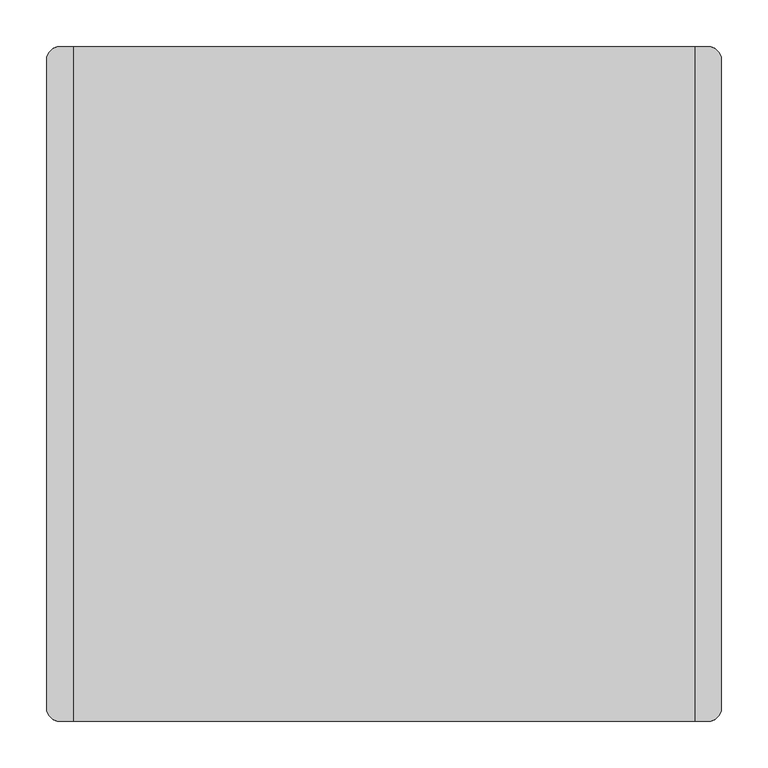
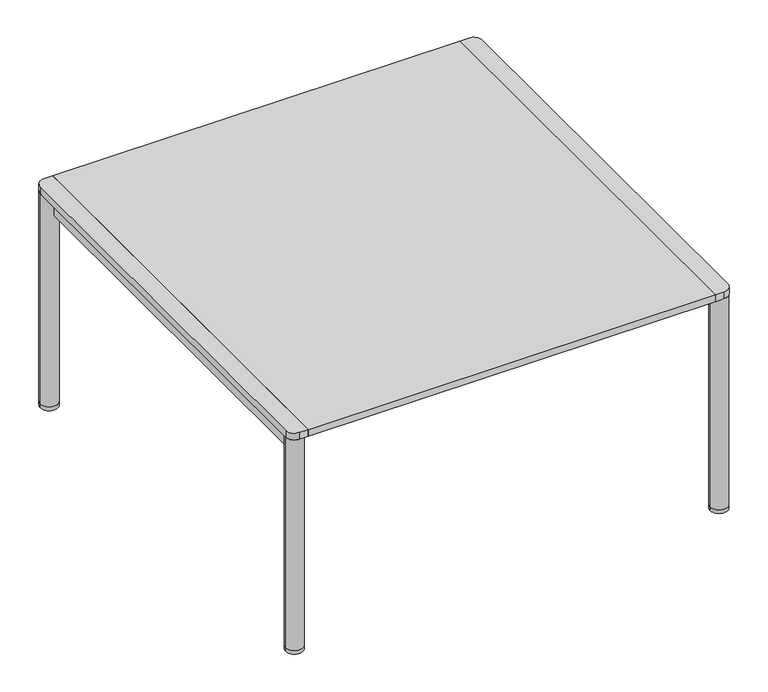
"""IFC4 building model written with IfcOpenShell, lengths in millimetres: furniture geometry."""

import ifcopenshell
import ifcopenshell.guid

model = None  # the IFC model being written
_history = None  # IfcOwnerHistory: only IFC2X3 demands one
_inside = {}  # id of a spatial element -> (the spatial element, [elements in it])
_under = {}  # id of a project, library or spatial element -> (it, [spatial elements below it])
_declared = {}  # id of a project -> (the project, [libraries it declares])
_typed = {}  # id of a type object -> (the type object, [elements of that type])
_made_of = {}  # id of a material, layer set ... -> (it, [elements and type objects made of it])


def new_model(schema):
    """Start an empty IFC model of exactly this schema.

    Asked for "IFC4X3", IfcOpenShell would pick the latest addendum, in which some entities
    have other attributes; the version numbers below select the first issue.
    IFC2X3 requires an IfcOwnerHistory on every rooted entity: one is made here for all.
    """
    global model, _history
    if schema == "IFC4X3":
        model = ifcopenshell.file(schema_version=(4, 3, 0, 0))
    else:
        model = ifcopenshell.file(schema=schema)
    _inside.clear()
    _under.clear()
    _declared.clear()
    _typed.clear()
    _made_of.clear()
    _history = None
    if model.schema == "IFC2X3":
        org = make("IfcOrganization", Name="unknown")
        user = make(
            "IfcPersonAndOrganization",
            ThePerson=make("IfcPerson", FamilyName="unknown"),
            TheOrganization=org,
        )
        app = make(
            "IfcApplication",
            ApplicationDeveloper=org,
            Version="unknown",
            ApplicationFullName="unknown",
            ApplicationIdentifier="unknown",
        )
        _history = make(
            "IfcOwnerHistory",
            OwningUser=user,
            OwningApplication=app,
            ChangeAction="ADDED",
            CreationDate=0,
        )
    return model


def make(cls, **values):
    """One entity of the class cls with the attributes given. An attribute that is None is left unset."""
    return model.create_entity(
        cls, **{name: value for name, value in values.items() if value is not None}
    )


def rooted(cls, **values):
    """An entity with a GlobalId (a new one), such as an element, a storey or a relation."""
    return make(cls, GlobalId=ifcopenshell.guid.new(), OwnerHistory=_history, **values)


def si_unit(unit_type, name, prefix=None):
    """IfcSIUnit, for example si_unit("LENGTHUNIT", "METRE", prefix="MILLI")."""
    return make("IfcSIUnit", UnitType=unit_type, Prefix=prefix, Name=name)


def assignment(units):
    """IfcUnitAssignment: the units of a project."""
    return None if units is None else make("IfcUnitAssignment", Units=units)


def point(xyz):
    """IfcCartesianPoint."""
    return None if xyz is None else make("IfcCartesianPoint", Coordinates=xyz)


def direction(xyz):
    """IfcDirection."""
    return None if xyz is None else make("IfcDirection", DirectionRatios=xyz)


def frame(location, z_axis=None, x_axis=None):
    """IfcAxis2Placement3D, a coordinate frame: its origin and axes. An axis left out is left unset."""
    return make(
        "IfcAxis2Placement3D",
        Location=point(location),
        Axis=direction(z_axis),
        RefDirection=direction(x_axis),
    )


def frame_2d(location, x_axis=None):
    """IfcAxis2Placement2D, a coordinate frame in the plane: its origin and x axis."""
    return make(
        "IfcAxis2Placement2D", Location=point(location), RefDirection=direction(x_axis)
    )


def origin():
    """The frame at (0, 0, 0) with its axes left unset."""
    return frame((0.0, 0.0, 0.0))


def origin_with_axes():
    """The frame at (0, 0, 0) with the z axis (0, 0, 1) and the x axis (1, 0, 0) written out."""
    return frame((0.0, 0.0, 0.0), z_axis=(0.0, 0.0, 1.0), x_axis=(1.0, 0.0, 0.0))


def place(relative_to, where):
    """IfcLocalPlacement: puts the frame where relative to a parent placement (None: the world)."""
    return make(
        "IfcLocalPlacement", PlacementRelTo=relative_to, RelativePlacement=where
    )


def context(
    kind, dimensions, precision=None, world=None, true_north=None, identifier=None
):
    """IfcGeometricRepresentationContext, for example the 3D "Model" context."""
    return make(
        "IfcGeometricRepresentationContext",
        ContextIdentifier=identifier,
        ContextType=kind,
        CoordinateSpaceDimension=dimensions,
        Precision=precision,
        WorldCoordinateSystem=world,
        TrueNorth=true_north,
    )


def project(units=None, contexts=None):
    """IfcProject with its units and contexts."""
    return rooted(
        "IfcProject",
        Name="project",
        RepresentationContexts=contexts,
        UnitsInContext=assignment(units),
    )


def spatial(cls, under=None, at=None, **own):
    """A site, building, storey or space (cls), placed at a placement, below another one or the project."""
    s = rooted(cls, ObjectPlacement=at, **own)
    if under is not None:
        _under.setdefault(under.id(), (under, []))[1].append(s)
    return s


def polyline(points):
    """IfcPolyline through the points."""
    return make("IfcPolyline", Points=[point(p) for p in points])


def circle_curve(where, radius):
    """IfcCircle in the frame where."""
    return make("IfcCircle", Position=where, Radius=radius)


def trimmed(basis, trim1, trim2, sense, master):
    """IfcTrimmedCurve: the piece of a basis curve between two trims."""
    return make(
        "IfcTrimmedCurve",
        BasisCurve=basis,
        Trim1=trim1,
        Trim2=trim2,
        SenseAgreement=sense,
        MasterRepresentation=master,
    )


def segment(curve, same_sense, transition):
    """IfcCompositeCurveSegment."""
    return make(
        "IfcCompositeCurveSegment",
        Transition=transition,
        SameSense=same_sense,
        ParentCurve=curve,
    )


def composite_curve(segments, self_intersect=None):
    """IfcCompositeCurve: segments joined end to end."""
    return make("IfcCompositeCurve", Segments=segments, SelfIntersect=self_intersect)


def outline(outer, holes=None, kind="AREA"):
    """IfcArbitraryClosedProfileDef: a profile drawn as a closed curve; with holes, ...WithVoids."""
    if holes is None:
        return make("IfcArbitraryClosedProfileDef", ProfileType=kind, OuterCurve=outer)
    return make(
        "IfcArbitraryProfileDefWithVoids",
        ProfileType=kind,
        OuterCurve=outer,
        InnerCurves=holes,
    )


def extrude(swept, where, along, depth):
    """IfcExtrudedAreaSolid: the profile swept, set in the frame where, extruded along a direction by depth."""
    return make(
        "IfcExtrudedAreaSolid",
        SweptArea=swept,
        Position=where,
        ExtrudedDirection=direction(along),
        Depth=depth,
    )


def shape(context_of_items, identifier, shape_type, items):
    """IfcShapeRepresentation: the items that make up one representation, for example the "Body"."""
    return make(
        "IfcShapeRepresentation",
        ContextOfItems=context_of_items,
        RepresentationIdentifier=identifier,
        RepresentationType=shape_type,
        Items=items,
    )


def source(mapping_origin, context_of_items, identifier, shape_type, items):
    """IfcRepresentationMap: a shape defined once, which mapped items show again and again."""
    return make(
        "IfcRepresentationMap",
        MappingOrigin=mapping_origin,
        MappedRepresentation=shape(context_of_items, identifier, shape_type, items),
    )


def transform(
    local_origin,
    x_axis=None,
    y_axis=None,
    z_axis=None,
    scale=None,
    scale2=None,
    scale3=None,
    uniform=True,
):
    """IfcCartesianTransformationOperator3D, or its non-uniform kind. x_axis, y_axis, z_axis: its Axis1, 2, 3."""
    if uniform:
        return make(
            "IfcCartesianTransformationOperator3D",
            Axis1=direction(x_axis),
            Axis2=direction(y_axis),
            LocalOrigin=point(local_origin),
            Scale=scale,
            Axis3=direction(z_axis),
        )
    return make(
        "IfcCartesianTransformationOperator3DnonUniform",
        Axis1=direction(x_axis),
        Axis2=direction(y_axis),
        LocalOrigin=point(local_origin),
        Scale=scale,
        Axis3=direction(z_axis),
        Scale2=scale2,
        Scale3=scale3,
    )


def mapped(mapping_source, mapping_target):
    """IfcMappedItem: shows the shape of a source again, moved by a transform."""
    return make(
        "IfcMappedItem", MappingSource=mapping_source, MappingTarget=mapping_target
    )


def made_of(thing, what):
    """Note that an element or type object is made of a material, layer set ...; save() writes the relation."""
    if what is not None:
        _made_of.setdefault(what.id(), (what, []))[1].append(thing)
    return thing


def element(
    cls,
    number,
    at=None,
    inside=None,
    cuts=None,
    type_object=None,
    material=None,
    context=None,
    identifier="Body",
    shape_type=None,
    held_by="IfcProductDefinitionShape",
    body=None,
    shapes=None,
    **own,
):
    """One element of the class cls, such as IfcWall. Its Tag is "e" and its number.

    at: its placement. inside: the storey or other place that contains it. cuts: it is an
    opening in that element (IfcRelVoidsElement). A single representation is given by context,
    identifier, shape_type and body (its items); several are given by shapes. held_by: the class
    of the entity that holds the representations. save() writes the other relations.
    """
    e = rooted(cls, Tag="e%d" % number, ObjectPlacement=at, **own)
    if body is not None:
        shapes = [shape(context, identifier, shape_type, body)]
    if shapes is not None:
        e.Representation = make(held_by, Representations=shapes)
    if inside is not None:
        _inside.setdefault(inside.id(), (inside, []))[1].append(e)
    if cuts is not None:
        rooted(
            "IfcRelVoidsElement", RelatingBuildingElement=cuts, RelatedOpeningElement=e
        )
    if type_object is not None:
        _typed.setdefault(type_object.id(), (type_object, []))[1].append(e)
    return made_of(e, material)


def aggregate(whole, parts):
    """IfcRelAggregates: a whole, such as a stair, and the parts it consists of."""
    return rooted("IfcRelAggregates", RelatingObject=whole, RelatedObjects=parts)


def save(model, path):
    """Write the relations noted so far, then the file.

    IfcRelAggregates (storeys below a building ...), IfcRelContainedInSpatialStructure (elements
    in a storey), IfcRelDefinesByType, IfcRelAssociatesMaterial and IfcRelDeclares: one each for
    every whole, place, type object, material and project.
    """
    for whole, parts in _under.values():
        aggregate(whole, parts)
    for where, things in _inside.values():
        rooted(
            "IfcRelContainedInSpatialStructure",
            RelatedElements=things,
            RelatingStructure=where,
        )
    for kind, things in _typed.values():
        rooted("IfcRelDefinesByType", RelatedObjects=things, RelatingType=kind)
    for what, things in _made_of.values():
        rooted("IfcRelAssociatesMaterial", RelatedObjects=things, RelatingMaterial=what)
    for by, libraries in _declared.values():
        rooted("IfcRelDeclares", RelatingContext=by, RelatedDefinitions=libraries)
    model.write(path)


def plane_surface(at):
    """IfcPlane: the flat surface through the origin of the frame at, square to its z axis."""
    return make("IfcPlane", Position=at)


def cylinder_surface(at, radius):
    """IfcCylindricalSurface: all points at the distance radius from the z axis of the frame at."""
    return make("IfcCylindricalSurface", Position=at, Radius=radius)


def advanced_brep(points, edges, surfaces, faces):
    """IfcAdvancedBrep: a solid bounded by faces that lie on surfaces and meet in shared edges.

    An edge is (start, end): straight between two places in points (the first is 0);
    or (start, end, curve); or (start, end, curve, False) where it runs against its curve.
    A face is (place in surfaces, loops), or (place, loops, False) where it looks against
    its surface's normal. A loop lists edges by number (the first is 1), with a minus sign
    where the edge is run from its end to its start. The first loop is the outer one.
    """
    corners = [point(p) for p in points]
    vertices = [make("IfcVertexPoint", VertexGeometry=c) for c in corners]
    made = []
    for start, end, *more in edges:
        made.append(
            make(
                "IfcEdgeCurve",
                EdgeStart=vertices[start],
                EdgeEnd=vertices[end],
                EdgeGeometry=more[0] if more else make("IfcPolyline", Points=[corners[start], corners[end]]),
                SameSense=more[1] if len(more) > 1 else True,
            )
        )
    hull = []
    for where, loops, *sense in faces:
        bounds = []
        for j, loop in enumerate(loops):
            ring = [make("IfcOrientedEdge", EdgeElement=made[abs(k) - 1], Orientation=k > 0) for k in loop]
            bounds.append(
                make(
                    "IfcFaceOuterBound" if j == 0 else "IfcFaceBound",
                    Bound=make("IfcEdgeLoop", EdgeList=ring),
                    Orientation=True,
                )
            )
        hull.append(make("IfcAdvancedFace", Bounds=bounds, FaceSurface=surfaces[where], SameSense=sense[0] if sense else True))
    return make("IfcAdvancedBrep", Outer=make("IfcClosedShell", CfsFaces=hull))


def furniture_15236179(model_context):
    return source(origin(), model_context, "Body", "SolidModel", [
        extrude(outline(polyline([(333.375, 14.8450003), (333.375, -14.8450003), (-333.375, -14.8450003), (-333.375, 14.8450003), (333.375, 14.8450003)])), frame((0.0, 0.0, 348.3110069), z_axis=(0.0, 0.0, 1.0), x_axis=(1.0, 0.0, 0.0)), (0.0, 0.0, 1.0), 19.6499997),
        advanced_brep(
        [(-333.375, 347.6625, 370.648815), (-361.95, 347.6625, 370.648815), (-347.6625, 333.375, 370.648815), (-347.6625, -333.375, 370.648815), (-361.95, -347.6625, 370.648815), (-333.375, -347.6625, 370.648815), (-361.95, 347.6625, 6.35), (-333.375, 347.6625, 6.35), (-361.95, -347.6625, 6.35), (-333.375, -347.6625, 6.35), (-333.375, 347.6625, 336.2579542), (-347.6625, 333.375, 336.2579542), (-333.375, -347.6625, 336.2579542), (-347.6625, -333.375, 336.2579542)],
        [
            (0, 1, circle_curve(frame((-347.6625, 347.6625, 370.648815), z_axis=(0.0, 0.0, 1.0), x_axis=(1.0, 0.0, 0.0)), 14.2875)),
            (1, 2, circle_curve(frame((-347.6625, 347.6625, 370.648815), z_axis=(0.0, 0.0, 1.0), x_axis=(1.0, 0.0, 0.0)), 14.2875)),
            (2, 3),
            (3, 4, circle_curve(frame((-347.6625, -347.6625, 370.648815), z_axis=(0.0, 0.0, 1.0), x_axis=(1.0, 0.0, 0.0)), 14.2875)),
            (4, 5, circle_curve(frame((-347.6625, -347.6625, 370.648815), z_axis=(0.0, 0.0, 1.0), x_axis=(1.0, 0.0, 0.0)), 14.2875)),
            (5, 0),
            (6, 7, circle_curve(frame((-347.6625, 347.6625, 6.35), z_axis=(0.0, 0.0, -1.0), x_axis=(1.0, 0.0, 0.0)), 14.2875)),
            (7, 6, circle_curve(frame((-347.6625, 347.6625, 6.35), z_axis=(0.0, 0.0, -1.0), x_axis=(1.0, 0.0, 0.0)), 14.2875)),
            (8, 9, circle_curve(frame((-347.6625, -347.6625, 6.35), z_axis=(0.0, 0.0, -1.0), x_axis=(1.0, 0.0, 0.0)), 14.2875)),
            (9, 8, circle_curve(frame((-347.6625, -347.6625, 6.35), z_axis=(0.0, 0.0, -1.0), x_axis=(1.0, 0.0, 0.0)), 14.2875)),
            (7, 10),
            (10, 11, circle_curve(frame((-347.6625, 347.6625, 336.2579542), z_axis=(0.0, 0.0, -1.0), x_axis=(1.0, 0.0, 0.0)), 14.2875)),
            (11, 2),
            (1, 6),
            (0, 10),
            (4, 8),
            (9, 12),
            (12, 5),
            (3, 13),
            (13, 12, circle_curve(frame((-347.6625, -347.6625, 336.2579542), z_axis=(0.0, 0.0, -1.0), x_axis=(1.0, 0.0, 0.0)), 14.2875)),
            (11, 13),
            (10, 12),
        ],
        [
            plane_surface(frame((-333.375, 347.6625, 370.648815), z_axis=(0.0, 0.0, 1.0), x_axis=(0.0, 1.0, 0.0))),
            plane_surface(frame((-333.375, 347.6625, 6.35), z_axis=(0.0, 0.0, -1.0), x_axis=(0.0, -1.0, 0.0))),
            cylinder_surface(frame((-347.6625, 347.6625, 6.35), z_axis=(0.0, 0.0, 1.0), x_axis=(1.0, 0.0, 0.0)), 14.2875),
            cylinder_surface(frame((-347.6625, -347.6625, 0.0), z_axis=(0.0, 0.0, 1.0), x_axis=(1.0, 0.0, 0.0)), 14.2875),
            plane_surface(frame((-347.6625, -347.6625, 370.648815), z_axis=(-1.0, 0.0, 0.0), x_axis=(0.0, 1.0, 0.0))),
            plane_surface(frame((-347.6625, -347.6625, 336.2579542), z_axis=(0.0, 0.0, -1.0), x_axis=(0.0, 1.0, 0.0))),
            plane_surface(frame((-333.375, -347.6625, 336.2579542), z_axis=(1.0, 0.0, 0.0), x_axis=(0.0, 1.0, 0.0))),
        ],
        [
            (0, [[1, 2, 3, 4, 5, 6]]),
            (1, [[7, 8]]),
            (1, [[9, 10]]),
            (2, [[-8, 11, 12, 13, -2, 14]]),
            (2, [[-1, 15, -11, -7, -14]]),
            (3, [[-5, 16, -10, 17, 18]]),
            (3, [[-9, -16, -4, 19, 20, -17]]),
            (4, [[-3, -13, 21, -19]]),
            (5, [[22, -20, -21, -12]]),
            (6, [[-6, -18, -22, -15]]),
        ],
    ),
        advanced_brep(
        [(333.375, -347.6625, 370.648815), (361.95, -347.6625, 370.648815), (361.95, 347.6625, 370.648815), (333.375, 347.6625, 370.648815), (347.6625, 333.375, 370.648815), (347.6625, -333.375, 370.648815), (333.375, -347.6625, 6.35), (361.95, -347.6625, 6.35), (333.375, 347.6625, 6.35), (361.95, 347.6625, 6.35), (361.95, -347.6625, 336.2579542), (347.6625, -333.375, 336.2579542), (361.95, 347.6625, 336.2579542), (347.6625, 333.375, 336.2579542)],
        [
            (0, 1, circle_curve(frame((347.6625, -347.6625, 370.648815), z_axis=(0.0, 0.0, 1.0), x_axis=(1.0, 0.0, 0.0)), 14.2875)),
            (1, 2),
            (2, 3, circle_curve(frame((347.6625, 347.6625, 370.648815), z_axis=(0.0, 0.0, 1.0), x_axis=(1.0, 0.0, 0.0)), 14.2875)),
            (3, 4, circle_curve(frame((347.6625, 347.6625, 370.648815), z_axis=(0.0, 0.0, 1.0), x_axis=(1.0, 0.0, 0.0)), 14.2875)),
            (4, 5),
            (5, 0, circle_curve(frame((347.6625, -347.6625, 370.648815), z_axis=(0.0, 0.0, 1.0), x_axis=(1.0, 0.0, 0.0)), 14.2875)),
            (6, 7, circle_curve(frame((347.6625, -347.6625, 6.35), z_axis=(0.0, 0.0, -1.0), x_axis=(1.0, 0.0, 0.0)), 14.2875)),
            (7, 6, circle_curve(frame((347.6625, -347.6625, 6.35), z_axis=(0.0, 0.0, -1.0), x_axis=(1.0, 0.0, 0.0)), 14.2875)),
            (8, 9, circle_curve(frame((347.6625, 347.6625, 6.35), z_axis=(0.0, 0.0, -1.0), x_axis=(1.0, 0.0, 0.0)), 14.2875)),
            (9, 8, circle_curve(frame((347.6625, 347.6625, 6.35), z_axis=(0.0, 0.0, -1.0), x_axis=(1.0, 0.0, 0.0)), 14.2875)),
            (0, 6),
            (7, 10),
            (10, 1),
            (5, 11),
            (11, 10, circle_curve(frame((347.6625, -347.6625, 336.2579542), z_axis=(0.0, 0.0, -1.0), x_axis=(1.0, 0.0, 0.0)), 14.2875)),
            (9, 12),
            (12, 13, circle_curve(frame((347.6625, 347.6625, 336.2579542), z_axis=(0.0, 0.0, -1.0), x_axis=(1.0, 0.0, 0.0)), 14.2875)),
            (13, 4),
            (3, 8),
            (2, 12),
            (13, 11),
            (12, 10),
        ],
        [
            plane_surface(frame((-333.375, 347.6625, 370.648815), z_axis=(0.0, 0.0, 1.0), x_axis=(0.0, 1.0, 0.0))),
            plane_surface(frame((-333.375, 347.6625, 6.35), z_axis=(0.0, 0.0, -1.0), x_axis=(0.0, -1.0, 0.0))),
            cylinder_surface(frame((347.6625, -347.6625, 0.0), z_axis=(0.0, 0.0, 1.0), x_axis=(1.0, 0.0, 0.0)), 14.2875),
            cylinder_surface(frame((347.6625, 347.6625, 0.0), z_axis=(0.0, 0.0, 1.0), x_axis=(1.0, 0.0, 0.0)), 14.2875),
            plane_surface(frame((347.6625, -347.6625, 370.648815), z_axis=(-1.0, 0.0, 0.0), x_axis=(0.0, 1.0, 0.0))),
            plane_surface(frame((347.6625, -347.6625, 336.2579542), z_axis=(0.0, 0.0, -1.0), x_axis=(0.0, 1.0, 0.0))),
            plane_surface(frame((361.95, -347.6625, 336.2579542), z_axis=(1.0, 0.0, 0.0), x_axis=(0.0, 1.0, 0.0))),
        ],
        [
            (0, [[1, 2, 3, 4, 5, 6]]),
            (1, [[7, 8]]),
            (1, [[9, 10]]),
            (2, [[-1, 11, -8, 12, 13]]),
            (2, [[-7, -11, -6, 14, 15, -12]]),
            (3, [[-10, 16, 17, 18, -4, 19]]),
            (3, [[-3, 20, -16, -9, -19]]),
            (4, [[-5, -18, 21, -14]]),
            (5, [[22, -15, -21, -17]]),
            (6, [[-2, -13, -22, -20]]),
        ],
    ),
        extrude(outline(composite_curve([segment(trimmed(circle_curve(frame_2d((-347.6625, 347.6625)), 14.2875), [point((-361.95, 347.6625))], [point((-333.375, 347.6625))], False, "CARTESIAN"), True, "CONTINUOUS"), segment(trimmed(circle_curve(frame_2d((-347.6625, 347.6625)), 14.2875), [point((-333.375, 347.6625))], [point((-361.95, 347.6625))], False, "CARTESIAN"), True, "CONTINUOUS")], self_intersect=False)), origin_with_axes(), (0.0, 0.0, 1.0), 6.35),
        extrude(outline(composite_curve([segment(trimmed(circle_curve(frame_2d((347.6625, 347.6625)), 14.2875), [point((333.375, 347.6625))], [point((361.95, 347.6625))], False, "CARTESIAN"), True, "CONTINUOUS"), segment(trimmed(circle_curve(frame_2d((347.6625, 347.6625)), 14.2875), [point((361.95, 347.6625))], [point((333.375, 347.6625))], False, "CARTESIAN"), True, "CONTINUOUS")], self_intersect=False)), origin_with_axes(), (0.0, 0.0, 1.0), 6.35),
        extrude(outline(composite_curve([segment(trimmed(circle_curve(frame_2d((347.6625, -347.6625)), 14.2875), [point((333.375, -347.6625))], [point((361.95, -347.6625))], False, "CARTESIAN"), True, "CONTINUOUS"), segment(trimmed(circle_curve(frame_2d((347.6625, -347.6625)), 14.2875), [point((361.95, -347.6625))], [point((333.375, -347.6625))], False, "CARTESIAN"), True, "CONTINUOUS")], self_intersect=False)), origin_with_axes(), (0.0, 0.0, 1.0), 6.35),
        extrude(outline(composite_curve([segment(trimmed(circle_curve(frame_2d((-347.6625, -347.6625)), 14.2875), [point((-361.95, -347.6625))], [point((-333.375, -347.6625))], False, "CARTESIAN"), True, "CONTINUOUS"), segment(trimmed(circle_curve(frame_2d((-347.6625, -347.6625)), 14.2875), [point((-333.375, -347.6625))], [point((-361.95, -347.6625))], False, "CARTESIAN"), True, "CONTINUOUS")], self_intersect=False)), origin_with_axes(), (0.0, 0.0, 1.0), 6.35),
        extrude(outline(composite_curve([segment(polyline([(-347.6625, 361.95), (-333.375, 361.95), (-333.375, -361.95), (-347.6625, -361.95)]), True, "CONTINUOUS"), segment(trimmed(circle_curve(frame_2d((-347.6625, -347.6625)), 14.2875), [point((-347.6625, -361.95))], [point((-361.95, -347.6625))], False, "CARTESIAN"), True, "CONTINUOUS"), segment(polyline([(-361.95, -347.6625), (-361.95, 347.6625)]), True, "CONTINUOUS"), segment(trimmed(circle_curve(frame_2d((-347.6625, 347.6625)), 14.2875), [point((-361.95, 347.6625))], [point((-347.6625, 361.95))], False, "CARTESIAN"), True, "CONTINUOUS")], self_intersect=False)), frame((0.0, 0.0, 370.648815), z_axis=(0.0, 0.0, 1.0), x_axis=(1.0, 0.0, 0.0)), (0.0, 0.0, 1.0), 11.938685),
        extrude(outline(polyline([(333.375, 361.95), (333.375, -361.95), (-333.375, -361.95), (-333.375, 361.95), (333.375, 361.95)])), frame((0.0, 0.0, 370.648815), z_axis=(0.0, 0.0, 1.0), x_axis=(1.0, 0.0, 0.0)), (0.0, 0.0, 1.0), 11.938685),
        extrude(outline(composite_curve([segment(trimmed(circle_curve(frame_2d((347.6625, -347.6625)), 14.2875), [point((361.95, -347.6625))], [point((347.6625, -361.95))], False, "CARTESIAN"), True, "CONTINUOUS"), segment(polyline([(347.6625, -361.95), (333.375, -361.95), (333.375, 361.95), (347.6625, 361.95)]), True, "CONTINUOUS"), segment(trimmed(circle_curve(frame_2d((347.6625, 347.6625)), 14.2875), [point((347.6625, 361.95))], [point((361.95, 347.6625))], False, "CARTESIAN"), True, "CONTINUOUS"), segment(polyline([(361.95, 347.6625), (361.95, -347.6625)]), True, "CONTINUOUS")], self_intersect=False)), frame((0.0, 0.0, 370.648815), z_axis=(0.0, 0.0, 1.0), x_axis=(1.0, 0.0, 0.0)), (0.0, 0.0, 1.0), 11.938685),
    ])


if __name__ == "__main__":
    model = new_model("IFC4")
    model_context = context("Model", 3, world=origin())
    ifc_project = project(units=[si_unit("LENGTHUNIT", "METRE", prefix="MILLI")], contexts=[model_context])
    site = spatial("IfcSite", under=ifc_project)
    building = spatial("IfcBuilding", under=site)
    placement = place(None, origin())
    furniture_shape = furniture_15236179(model_context)
    element("IfcFurniture", 1, at=placement, inside=building, context=model_context, shape_type="MappedRepresentation", body=[
        mapped(furniture_shape, transform((0.0, 0.0, 0.0), x_axis=(1.0, 0.0, 0.0), y_axis=(0.0, 1.0, 0.0), z_axis=(0.0, 0.0, 1.0))),
    ])
    save(model, "model.ifc")
